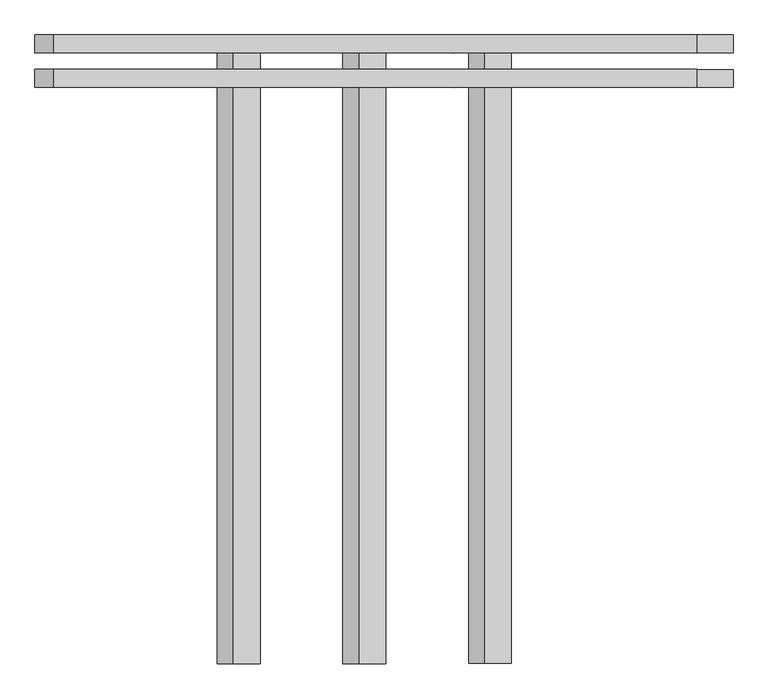
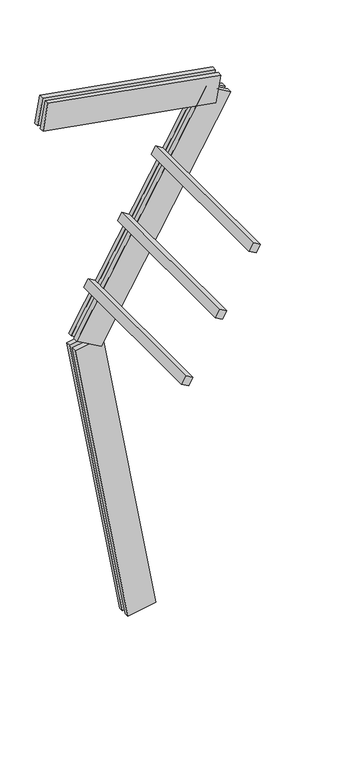
"""IFC4 building model written with IfcOpenShell, lengths in millimetres: proxy geometry."""

from ifc_helpers import new_model, si_unit, frame, origin, place, context, project, spatial, polyline, outline, extrude, source, transform, mapped, element, save


def generic_models_80ce6515(model_context):
    return source(origin(), model_context, "Body", "SweptSolid", [
        extrude(outline(polyline([(0.0, -1500.0), (0.0, 0.0), (75.0, 0.0), (75.0, -1500.0), (0.0, -1500.0)])), frame((-442.0551605, 62.5, 3105.3910946), z_axis=(0.5000000000000011, 0.0, 0.866025403784438), x_axis=(0.866025403784438, 0.0, -0.5000000000000011)), (0.0, 0.0, 1.0), 75.0),
        extrude(outline(polyline([(0.0, -1500.0), (0.0, 0.0), (75.0, 0.0), (75.0, -1500.0), (0.0, -1500.0)])), frame((-142.0551605, 62.5, 3625.0063369), z_axis=(0.5000000000000011, 0.0, 0.866025403784438), x_axis=(0.866025403784438, 0.0, -0.5000000000000011)), (0.0, 0.0, 1.0), 75.0),
        extrude(outline(polyline([(0.0, -1500.0), (0.0, 0.0), (75.0, 0.0), (75.0, -1500.0), (0.0, -1500.0)])), frame((157.9448395, 62.5, 4144.6215792), z_axis=(0.5000000000000011, 0.0, 0.866025403784438), x_axis=(0.866025403784438, 0.0, -0.5000000000000011)), (0.0, 0.0, 1.0), 75.0),
        extrude(outline(polyline([(1560.0, -125.0), (0.0, -125.0), (0.0, -82.5), (1560.0, -82.5), (1560.0, -125.0)])), frame((659.4438981, -62.5, 4527.7383927), z_axis=(0.17364817766693336, 0.0, 0.9848077530122077), x_axis=(-0.9848077530122077, 0.0, 0.17364817766693336)), (0.0, 0.0, 1.0), 250.0),
        extrude(outline(polyline([(0.0, 0.0), (1560.0, 0.0), (1560.0, -42.5), (0.0, -42.5), (0.0, 0.0)])), frame((659.4438981, -62.5, 4527.7383927), z_axis=(0.17364817766693336, 0.0, 0.9848077530122077), x_axis=(-0.9848077530122077, 0.0, 0.17364817766693336)), (0.0, 0.0, 1.0), 250.0),
        extrude(outline(polyline([(-125.0, -250.0), (-125.0, 0.0), (-82.5, 0.0), (-82.5, -250.0), (-125.0, -250.0)])), frame((-360.5969042, -62.5, 2596.4809331), z_axis=(0.5000000000000011, 0.0, 0.866025403784438), x_axis=(0.0, -1.0, 0.0)), (0.0, 0.0, 1.0), 2300.0),
        extrude(outline(polyline([(0.0, 0.0), (0.0, -250.0), (-42.5, -250.0), (-42.5, 0.0), (0.0, 0.0)])), frame((-360.5969042, -62.5, 2596.4809331), z_axis=(0.5000000000000011, 0.0, 0.866025403784438), x_axis=(0.0, -1.0, 0.0)), (0.0, 0.0, 1.0), 2300.0),
        extrude(outline(polyline([(-125.0, -249.9999999), (-125.0, 0.0), (-82.5, 0.0), (-82.5, -249.9999999), (-125.0, -249.9999999)])), frame((123.1009691, -62.5, 21.7060222), z_axis=(-0.17364817766693158, 0.0, 0.9848077530122079), x_axis=(0.0, -1.0, 0.0)), (0.0, 0.0, 1.0), 2700.0),
        extrude(outline(polyline([(0.0, 0.0), (0.0, -249.9999999), (-42.5, -249.9999999), (-42.5, 0.0), (0.0, 0.0)])), frame((123.1009691, -62.5, 21.7060222), z_axis=(-0.17364817766693158, 0.0, 0.9848077530122079), x_axis=(0.0, -1.0, 0.0)), (0.0, 0.0, 1.0), 2700.0),
    ])


if __name__ == "__main__":
    model = new_model("IFC4")
    model_context = context("Model", 3, world=origin())
    ifc_project = project(units=[si_unit("LENGTHUNIT", "METRE", prefix="MILLI")], contexts=[model_context])
    site = spatial("IfcSite", under=ifc_project)
    building = spatial("IfcBuilding", under=site)
    placement = place(None, origin())
    generic_models_shape = generic_models_80ce6515(model_context)
    element("IfcBuildingElementProxy", 1, Name="Generic Models", at=placement, inside=building, context=model_context, shape_type="MappedRepresentation", body=[
        mapped(generic_models_shape, transform((0.0, 0.0, 0.0), x_axis=(1.0, 0.0, 0.0), y_axis=(0.0, 1.0, 0.0), z_axis=(0.0, 0.0, 1.0))),
    ])
    save(model, "model.ifc")
